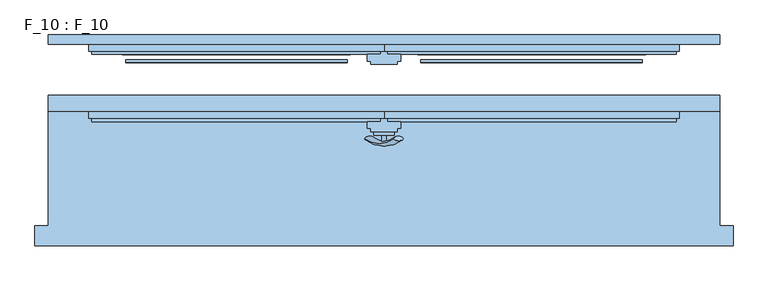
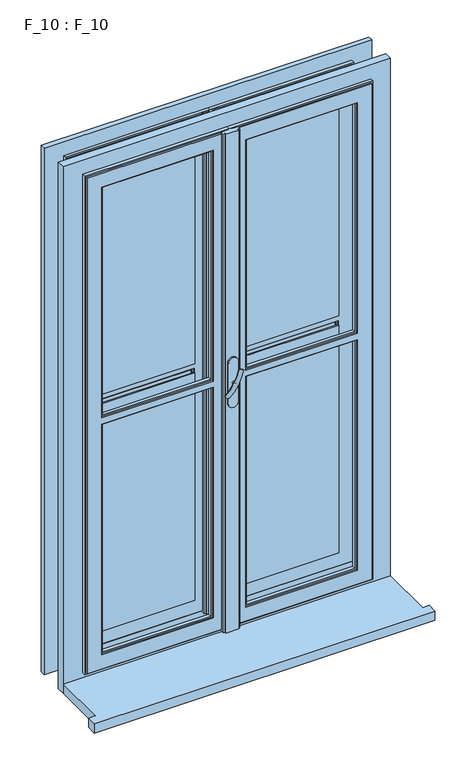
"""IFC4 building model written with IfcOpenShell, lengths in millimetres: window geometry, F_10 : F_10."""

import ifcopenshell
import ifcopenshell.guid

model = None  # the IFC model being written
_history = None  # IfcOwnerHistory: only IFC2X3 demands one
_inside = {}  # id of a spatial element -> (the spatial element, [elements in it])
_under = {}  # id of a project, library or spatial element -> (it, [spatial elements below it])
_declared = {}  # id of a project -> (the project, [libraries it declares])
_typed = {}  # id of a type object -> (the type object, [elements of that type])
_made_of = {}  # id of a material, layer set ... -> (it, [elements and type objects made of it])


def new_model(schema):
    """Start an empty IFC model of exactly this schema.

    Asked for "IFC4X3", IfcOpenShell would pick the latest addendum, in which some entities
    have other attributes; the version numbers below select the first issue.
    IFC2X3 requires an IfcOwnerHistory on every rooted entity: one is made here for all.
    """
    global model, _history
    if schema == "IFC4X3":
        model = ifcopenshell.file(schema_version=(4, 3, 0, 0))
    else:
        model = ifcopenshell.file(schema=schema)
    _inside.clear()
    _under.clear()
    _declared.clear()
    _typed.clear()
    _made_of.clear()
    _history = None
    if model.schema == "IFC2X3":
        org = make("IfcOrganization", Name="unknown")
        user = make(
            "IfcPersonAndOrganization",
            ThePerson=make("IfcPerson", FamilyName="unknown"),
            TheOrganization=org,
        )
        app = make(
            "IfcApplication",
            ApplicationDeveloper=org,
            Version="unknown",
            ApplicationFullName="unknown",
            ApplicationIdentifier="unknown",
        )
        _history = make(
            "IfcOwnerHistory",
            OwningUser=user,
            OwningApplication=app,
            ChangeAction="ADDED",
            CreationDate=0,
        )
    return model


def make(cls, **values):
    """One entity of the class cls with the attributes given. An attribute that is None is left unset."""
    return model.create_entity(
        cls, **{name: value for name, value in values.items() if value is not None}
    )


def rooted(cls, **values):
    """An entity with a GlobalId (a new one), such as an element, a storey or a relation."""
    return make(cls, GlobalId=ifcopenshell.guid.new(), OwnerHistory=_history, **values)


def si_unit(unit_type, name, prefix=None):
    """IfcSIUnit, for example si_unit("LENGTHUNIT", "METRE", prefix="MILLI")."""
    return make("IfcSIUnit", UnitType=unit_type, Prefix=prefix, Name=name)


def assignment(units):
    """IfcUnitAssignment: the units of a project."""
    return None if units is None else make("IfcUnitAssignment", Units=units)


def point(xyz):
    """IfcCartesianPoint."""
    return None if xyz is None else make("IfcCartesianPoint", Coordinates=xyz)


def direction(xyz):
    """IfcDirection."""
    return None if xyz is None else make("IfcDirection", DirectionRatios=xyz)


def frame(location, z_axis=None, x_axis=None):
    """IfcAxis2Placement3D, a coordinate frame: its origin and axes. An axis left out is left unset."""
    return make(
        "IfcAxis2Placement3D",
        Location=point(location),
        Axis=direction(z_axis),
        RefDirection=direction(x_axis),
    )


def frame_2d(location, x_axis=None):
    """IfcAxis2Placement2D, a coordinate frame in the plane: its origin and x axis."""
    return make(
        "IfcAxis2Placement2D", Location=point(location), RefDirection=direction(x_axis)
    )


def origin():
    """The frame at (0, 0, 0) with its axes left unset."""
    return frame((0.0, 0.0, 0.0))


def place(relative_to, where):
    """IfcLocalPlacement: puts the frame where relative to a parent placement (None: the world)."""
    return make(
        "IfcLocalPlacement", PlacementRelTo=relative_to, RelativePlacement=where
    )


def context(
    kind, dimensions, precision=None, world=None, true_north=None, identifier=None
):
    """IfcGeometricRepresentationContext, for example the 3D "Model" context."""
    return make(
        "IfcGeometricRepresentationContext",
        ContextIdentifier=identifier,
        ContextType=kind,
        CoordinateSpaceDimension=dimensions,
        Precision=precision,
        WorldCoordinateSystem=world,
        TrueNorth=true_north,
    )


def project(units=None, contexts=None):
    """IfcProject with its units and contexts."""
    return rooted(
        "IfcProject",
        Name="project",
        RepresentationContexts=contexts,
        UnitsInContext=assignment(units),
    )


def spatial(cls, under=None, at=None, **own):
    """A site, building, storey or space (cls), placed at a placement, below another one or the project."""
    s = rooted(cls, ObjectPlacement=at, **own)
    if under is not None:
        _under.setdefault(under.id(), (under, []))[1].append(s)
    return s


def polyline(points):
    """IfcPolyline through the points."""
    return make("IfcPolyline", Points=[point(p) for p in points])


def circle_curve(where, radius):
    """IfcCircle in the frame where."""
    return make("IfcCircle", Position=where, Radius=radius)


def ellipse_curve(where, semi_axis1, semi_axis2):
    """IfcEllipse in the frame where."""
    return make(
        "IfcEllipse", Position=where, SemiAxis1=semi_axis1, SemiAxis2=semi_axis2
    )


def trimmed(basis, trim1, trim2, sense, master):
    """IfcTrimmedCurve: the piece of a basis curve between two trims."""
    return make(
        "IfcTrimmedCurve",
        BasisCurve=basis,
        Trim1=trim1,
        Trim2=trim2,
        SenseAgreement=sense,
        MasterRepresentation=master,
    )


def segment(curve, same_sense, transition):
    """IfcCompositeCurveSegment."""
    return make(
        "IfcCompositeCurveSegment",
        Transition=transition,
        SameSense=same_sense,
        ParentCurve=curve,
    )


def composite_curve(segments, self_intersect=None):
    """IfcCompositeCurve: segments joined end to end."""
    return make("IfcCompositeCurve", Segments=segments, SelfIntersect=self_intersect)


def outline(outer, holes=None, kind="AREA"):
    """IfcArbitraryClosedProfileDef: a profile drawn as a closed curve; with holes, ...WithVoids."""
    if holes is None:
        return make("IfcArbitraryClosedProfileDef", ProfileType=kind, OuterCurve=outer)
    return make(
        "IfcArbitraryProfileDefWithVoids",
        ProfileType=kind,
        OuterCurve=outer,
        InnerCurves=holes,
    )


def extrude(swept, where, along, depth):
    """IfcExtrudedAreaSolid: the profile swept, set in the frame where, extruded along a direction by depth."""
    return make(
        "IfcExtrudedAreaSolid",
        SweptArea=swept,
        Position=where,
        ExtrudedDirection=direction(along),
        Depth=depth,
    )


def faces_of(points, faces, orient=None, outer=None):
    """IfcFace entities. A face is a list of loops; a loop is a list of indices into points, from 0.

    orient and outer hold one flag for each loop. By default every Orientation is true, the
    first loop of a face is its IfcFaceOuterBound and the others are IfcFaceBound.
    """
    made = []
    for i, loops in enumerate(faces):
        bounds = []
        for j, loop in enumerate(loops):
            is_outer = j == 0 if outer is None else outer[i][j]
            bounds.append(
                make(
                    "IfcFaceOuterBound" if is_outer else "IfcFaceBound",
                    Bound=make("IfcPolyLoop", Polygon=[points[k] for k in loop]),
                    Orientation=True if orient is None else orient[i][j],
                )
            )
        made.append(make("IfcFace", Bounds=bounds))
    return made


def faceted_brep(points, faces, orient=None, outer=None, voids=None):
    """IfcFacetedBrep: a solid bounded by flat faces; with voids (closed shells), ...WithVoids."""
    shared = [point(p) for p in points]
    hull = make("IfcClosedShell", CfsFaces=faces_of(shared, faces, orient, outer))
    if voids is None:
        return make("IfcFacetedBrep", Outer=hull)
    return make(
        "IfcFacetedBrepWithVoids",
        Outer=hull,
        Voids=[
            make(cls, CfsFaces=faces_of(shared, fs, o, b)) for cls, fs, o, b in voids
        ],
    )


def shape(context_of_items, identifier, shape_type, items):
    """IfcShapeRepresentation: the items that make up one representation, for example the "Body"."""
    return make(
        "IfcShapeRepresentation",
        ContextOfItems=context_of_items,
        RepresentationIdentifier=identifier,
        RepresentationType=shape_type,
        Items=items,
    )


def source(mapping_origin, context_of_items, identifier, shape_type, items):
    """IfcRepresentationMap: a shape defined once, which mapped items show again and again."""
    return make(
        "IfcRepresentationMap",
        MappingOrigin=mapping_origin,
        MappedRepresentation=shape(context_of_items, identifier, shape_type, items),
    )


def transform(
    local_origin,
    x_axis=None,
    y_axis=None,
    z_axis=None,
    scale=None,
    scale2=None,
    scale3=None,
    uniform=True,
):
    """IfcCartesianTransformationOperator3D, or its non-uniform kind. x_axis, y_axis, z_axis: its Axis1, 2, 3."""
    if uniform:
        return make(
            "IfcCartesianTransformationOperator3D",
            Axis1=direction(x_axis),
            Axis2=direction(y_axis),
            LocalOrigin=point(local_origin),
            Scale=scale,
            Axis3=direction(z_axis),
        )
    return make(
        "IfcCartesianTransformationOperator3DnonUniform",
        Axis1=direction(x_axis),
        Axis2=direction(y_axis),
        LocalOrigin=point(local_origin),
        Scale=scale,
        Axis3=direction(z_axis),
        Scale2=scale2,
        Scale3=scale3,
    )


def mapped(mapping_source, mapping_target):
    """IfcMappedItem: shows the shape of a source again, moved by a transform."""
    return make(
        "IfcMappedItem", MappingSource=mapping_source, MappingTarget=mapping_target
    )


def made_of(thing, what):
    """Note that an element or type object is made of a material, layer set ...; save() writes the relation."""
    if what is not None:
        _made_of.setdefault(what.id(), (what, []))[1].append(thing)
    return thing


def element(
    cls,
    number,
    at=None,
    inside=None,
    cuts=None,
    type_object=None,
    material=None,
    context=None,
    identifier="Body",
    shape_type=None,
    held_by="IfcProductDefinitionShape",
    body=None,
    shapes=None,
    **own,
):
    """One element of the class cls, such as IfcWall. Its Tag is "e" and its number.

    at: its placement. inside: the storey or other place that contains it. cuts: it is an
    opening in that element (IfcRelVoidsElement). A single representation is given by context,
    identifier, shape_type and body (its items); several are given by shapes. held_by: the class
    of the entity that holds the representations. save() writes the other relations.
    """
    e = rooted(cls, Tag="e%d" % number, ObjectPlacement=at, **own)
    if body is not None:
        shapes = [shape(context, identifier, shape_type, body)]
    if shapes is not None:
        e.Representation = make(held_by, Representations=shapes)
    if inside is not None:
        _inside.setdefault(inside.id(), (inside, []))[1].append(e)
    if cuts is not None:
        rooted(
            "IfcRelVoidsElement", RelatingBuildingElement=cuts, RelatedOpeningElement=e
        )
    if type_object is not None:
        _typed.setdefault(type_object.id(), (type_object, []))[1].append(e)
    return made_of(e, material)


def aggregate(whole, parts):
    """IfcRelAggregates: a whole, such as a stair, and the parts it consists of."""
    return rooted("IfcRelAggregates", RelatingObject=whole, RelatedObjects=parts)


def save(model, path):
    """Write the relations noted so far, then the file.

    IfcRelAggregates (storeys below a building ...), IfcRelContainedInSpatialStructure (elements
    in a storey), IfcRelDefinesByType, IfcRelAssociatesMaterial and IfcRelDeclares: one each for
    every whole, place, type object, material and project.
    """
    for whole, parts in _under.values():
        aggregate(whole, parts)
    for where, things in _inside.values():
        rooted(
            "IfcRelContainedInSpatialStructure",
            RelatedElements=things,
            RelatingStructure=where,
        )
    for kind, things in _typed.values():
        rooted("IfcRelDefinesByType", RelatedObjects=things, RelatingType=kind)
    for what, things in _made_of.values():
        rooted("IfcRelAssociatesMaterial", RelatedObjects=things, RelatingMaterial=what)
    for by, libraries in _declared.values():
        rooted("IfcRelDeclares", RelatingContext=by, RelatedDefinitions=libraries)
    model.write(path)


def plane_surface(at):
    """IfcPlane: the flat surface through the origin of the frame at, square to its z axis."""
    return make("IfcPlane", Position=at)


def revolved_surface(curve, axis_point, axis_direction):
    """IfcSurfaceOfRevolution: the curve turned about the line through axis_point along axis_direction."""
    return make(
        "IfcSurfaceOfRevolution",
        SweptCurve=make("IfcArbitraryOpenProfileDef", ProfileType="CURVE", Curve=curve),
        AxisPosition=make("IfcAxis1Placement", Location=point(axis_point), Axis=direction(axis_direction)),
    )


def advanced_brep(points, edges, surfaces, faces):
    """IfcAdvancedBrep: a solid bounded by faces that lie on surfaces and meet in shared edges.

    An edge is (start, end): straight between two places in points (the first is 0);
    or (start, end, curve); or (start, end, curve, False) where it runs against its curve.
    A face is (place in surfaces, loops), or (place, loops, False) where it looks against
    its surface's normal. A loop lists edges by number (the first is 1), with a minus sign
    where the edge is run from its end to its start. The first loop is the outer one.
    """
    corners = [point(p) for p in points]
    vertices = [make("IfcVertexPoint", VertexGeometry=c) for c in corners]
    made = []
    for start, end, *more in edges:
        made.append(
            make(
                "IfcEdgeCurve",
                EdgeStart=vertices[start],
                EdgeEnd=vertices[end],
                EdgeGeometry=more[0] if more else make("IfcPolyline", Points=[corners[start], corners[end]]),
                SameSense=more[1] if len(more) > 1 else True,
            )
        )
    hull = []
    for where, loops, *sense in faces:
        bounds = []
        for j, loop in enumerate(loops):
            ring = [make("IfcOrientedEdge", EdgeElement=made[abs(k) - 1], Orientation=k > 0) for k in loop]
            bounds.append(
                make(
                    "IfcFaceOuterBound" if j == 0 else "IfcFaceBound",
                    Bound=make("IfcEdgeLoop", EdgeList=ring),
                    Orientation=True,
                )
            )
        hull.append(make("IfcAdvancedFace", Bounds=bounds, FaceSurface=surfaces[where], SameSense=sense[0] if sense else True))
    return make("IfcAdvancedBrep", Outer=make("IfcClosedShell", CfsFaces=hull))


def f_10_f_10_4c1c05a7(model_context):
    return source(origin(), model_context, "Body", "SolidModel", [
        advanced_brep(
        [(-28.5497704, -90.2287724, 1557.2483361), (-14.693364, -90.2287724, 1549.2483361), (14.693364, -90.2287724, 1632.147642), (28.5497704, -90.2287724, 1624.147642)],
        [
            (0, 1, ellipse_curve(frame((-21.6215672, -90.2287724, 1553.2483361), z_axis=(-0.46984631039295827, 0.3420201433256777, -0.8137976813493676), x_axis=(0.8660254037844349, 0.0, -0.5000000000000066)), 8.0, 3.5)),
            (1, 0, ellipse_curve(frame((-21.6215672, -90.2287724, 1553.2483361), z_axis=(-0.46984631039295827, 0.3420201433256777, -0.8137976813493676), x_axis=(0.8660254037844349, 0.0, -0.5000000000000066)), 8.0, 3.5)),
            (2, 3, ellipse_curve(frame((21.6215672, -90.2287724, 1628.147642), z_axis=(0.46984631039296154, 0.3420201433256599, 0.8137976813493732), x_axis=(0.8660254037844355, 0.0, -0.5000000000000056)), 8.0, 3.5)),
            (3, 2, ellipse_curve(frame((21.6215672, -90.2287724, 1628.147642), z_axis=(0.46984631039296154, 0.3420201433256599, 0.8137976813493732), x_axis=(0.8660254037844355, 0.0, -0.5000000000000056)), 8.0, 3.5)),
            (3, 1, circle_curve(frame((6.9282032, 28.580763, 1586.6979891), z_axis=(0.8660254037844353, 0.0, -0.500000000000006), x_axis=(-0.1710100716628409, -0.9396926207859051, -0.29619813272603046)), 126.4344667)),
            (0, 2, circle_curve(frame((-6.9282032, 28.580763, 1594.6979891), z_axis=(-0.8660254037844353, 0.0, 0.500000000000006), x_axis=(-0.1710100716628409, -0.9396926207859051, -0.29619813272603046)), 126.4344667)),
        ],
        [
            plane_surface(frame((40.0926994, -87.5471681, 1518.7446033), z_axis=(-0.4698463103929582, 0.34202014332567776, -0.8137976813493677), x_axis=(-0.8660254037844352, 0.0, 0.500000000000006))),
            plane_surface(frame((82.3598097, -87.5471681, 1591.9533858), z_axis=(0.4698463103929615, 0.34202014332565983, 0.8137976813493734), x_axis=(-0.8660254037844352, 0.0, 0.500000000000006))),
            revolved_surface(trimmed(ellipse_curve(frame((-21.6215672, -90.2287724, 1553.2483361), z_axis=(-0.46984631039295827, 0.3420201433256777, -0.8137976813493676), x_axis=(0.8660254037844349, 0.0, -0.5000000000000066)), 8.0, 3.5), [point((-28.5497704, -90.2287724, 1557.2483361))], [point((-14.693364, -90.2287724, 1549.2483361))], True, "CARTESIAN"), (61.2262546, 28.580763, 1555.3489945), (-0.8660254037844353, 0.0, 0.500000000000006)),
            revolved_surface(trimmed(ellipse_curve(frame((-21.6215672, -90.2287724, 1553.2483361), z_axis=(-0.46984631039295827, 0.3420201433256777, -0.8137976813493676), x_axis=(0.8660254037844349, 0.0, -0.5000000000000066)), 8.0, 3.5), [point((-14.693364, -90.2287724, 1549.2483361))], [point((-28.5497704, -90.2287724, 1557.2483361))], True, "CARTESIAN"), (61.2262546, 28.580763, 1555.3489945), (-0.8660254037844353, 0.0, 0.500000000000006)),
        ],
        [
            (0, [[1, 2]]),
            (1, [[3, 4]]),
            (2, [[5, -1, 6, -4]]),
            (3, [[-6, -2, -5, -3]]),
        ],
    ),
        extrude(outline(composite_curve([segment(trimmed(circle_curve(frame_2d((1590.6979891, 0.0)), 3.5), [point((1590.6979891, -3.5))], [point((1590.6979891, 3.5))], False, "CARTESIAN"), True, "CONTINUOUS"), segment(trimmed(circle_curve(frame_2d((1590.6979891, 0.0)), 3.5), [point((1590.6979891, 3.5))], [point((1590.6979891, -3.5))], False, "CARTESIAN"), True, "CONTINUOUS")], self_intersect=False)), frame((0.0, -95.0, 0.0), z_axis=(0.0, 1.0, 0.0), x_axis=(0.0, 0.0, 1.0)), (0.0, 0.0, 1.0), 10.0),
        extrude(outline(composite_curve([segment(polyline([(1655.0, -15.0), (1525.0, -15.0)]), True, "CONTINUOUS"), segment(trimmed(circle_curve(frame_2d((1525.0, 0.0)), 15.0), [point((1525.0, -15.0))], [point((1525.0, 15.0))], False, "CARTESIAN"), True, "CONTINUOUS"), segment(polyline([(1525.0, 15.0), (1655.0, 15.0)]), True, "CONTINUOUS"), segment(trimmed(circle_curve(frame_2d((1655.0, 0.0)), 15.0), [point((1655.0, 15.0))], [point((1655.0, -15.0))], False, "CARTESIAN"), True, "CONTINUOUS")], self_intersect=False)), frame((0.0, -85.0, 0.0), z_axis=(0.0, 1.0, 0.0), x_axis=(0.0, 0.0, 1.0)), (0.0, 0.0, 1.0), 5.0),
        faceted_brep([(-50.0, 35.0, 1580.0), (-390.0, 35.0, 1580.0), (-390.0, 40.0, 1580.0), (-50.0, 40.0, 1580.0), (-5.0, 35.0, 790.0), (-5.0, 35.0, 2390.0), (-435.0, 35.0, 2390.0), (-435.0, 35.0, 790.0), (-50.0, 35.0, 835.0), (-390.0, 35.0, 835.0), (-50.0, 35.0, 1600.0), (-390.0, 35.0, 1600.0), (-390.0, 35.0, 2345.0), (-50.0, 35.0, 2345.0), (-390.0, 40.0, 835.0), (-390.0, 40.0, 1600.0), (-390.0, 40.0, 2345.0), (-50.0, 40.0, 835.0), (-385.0, 40.0, 1575.0), (-55.0, 40.0, 1575.0), (-55.0, 40.0, 840.0), (-385.0, 40.0, 840.0), (-50.0, 40.0, 2345.0), (-50.0, 40.0, 1600.0), (-385.0, 40.0, 2340.0), (-55.0, 40.0, 2340.0), (-55.0, 40.0, 1605.0), (-385.0, 40.0, 1605.0), (-55.0, 50.0, 840.0), (-55.0, 50.0, 1575.0), (-55.0, 50.0, 2340.0), (-55.0, 50.0, 1605.0), (-385.0, 50.0, 1605.0), (-385.0, 50.0, 840.0), (-385.0, 50.0, 1575.0), (-385.0, 50.0, 2340.0), (-50.0, 50.0, 835.0), (-390.0, 50.0, 835.0), (-390.0, 50.0, 1580.0), (-50.0, 50.0, 1580.0), (-390.0, 50.0, 2345.0), (-50.0, 50.0, 2345.0), (-50.0, 50.0, 1600.0), (-390.0, 50.0, 1600.0), (-50.0, 55.0, 835.0), (-390.0, 55.0, 835.0), (-390.0, 55.0, 1580.0), (-390.0, 55.0, 2345.0), (-390.0, 55.0, 1600.0), (-50.0, 55.0, 1580.0), (-50.0, 55.0, 2345.0), (-50.0, 55.0, 1600.0), (-10.0, 55.0, 2385.0), (-10.0, 55.0, 795.0), (-430.0, 55.0, 795.0), (-430.0, 55.0, 2385.0), (-10.0, 50.0, 2385.0), (-10.0, 50.0, 795.0), (-430.0, 50.0, 795.0), (-430.0, 50.0, 2385.0), (-5.0, 40.0, 2390.0), (-5.0, 40.0, 790.0), (-435.0, 40.0, 790.0), (-435.0, 40.0, 2390.0), (0.0, 40.0, 785.0), (0.0, 40.0, 2395.0), (-440.0, 40.0, 2395.0), (-440.0, 40.0, 785.0), (0.0, 50.0, 2395.0), (0.0, 50.0, 785.0), (-440.0, 50.0, 785.0), (-440.0, 50.0, 2395.0)], [[[0, 1, 2, 3]], [[4, 5, 6, 7], [1, 0, 8, 9], [10, 11, 12, 13]], [[9, 14, 2, 1]], [[15, 16, 12, 11]], [[14, 17, 3, 2], [18, 19, 20, 21]], [[22, 16, 15, 23], [24, 25, 26, 27]], [[3, 17, 8, 0]], [[13, 22, 23, 10]], [[8, 17, 14, 9]], [[28, 20, 19, 29]], [[25, 30, 31, 26]], [[31, 32, 27, 26]], [[21, 33, 34, 18]], [[35, 24, 27, 32]], [[11, 10, 23, 15]], [[19, 18, 34, 29]], [[20, 28, 33, 21]], [[36, 37, 38, 39], [29, 34, 33, 28]], [[40, 41, 42, 43], [35, 32, 31, 30]], [[36, 44, 45, 37]], [[38, 37, 45, 46]], [[47, 40, 43, 48]], [[46, 49, 39, 38]], [[42, 41, 50, 51]], [[44, 36, 39, 49]], [[51, 48, 43, 42]], [[52, 53, 54, 55], [49, 46, 45, 44], [48, 51, 50, 47]], [[52, 56, 57, 53]], [[53, 57, 58, 54]], [[54, 58, 59, 55]], [[60, 5, 4, 61]], [[62, 7, 6, 63]], [[61, 4, 7, 62]], [[64, 65, 66, 67], [60, 61, 62, 63]], [[68, 65, 64, 69]], [[69, 64, 67, 70]], [[68, 69, 70, 71], [57, 56, 59, 58]], [[70, 67, 66, 71]], [[30, 25, 24, 35]], [[22, 13, 12, 16]], [[50, 41, 40, 47]], [[56, 52, 55, 59]], [[5, 60, 63, 6]], [[65, 68, 71, 66]]]),
        faceted_brep([(-50.0, -45.0, 835.0), (-50.0, -50.0, 835.0), (-50.0, -50.0, 1580.0), (-50.0, -45.0, 1580.0), (-50.0, -50.0, 1600.0), (-50.0, -50.0, 2345.0), (-50.0, -45.0, 2345.0), (-50.0, -45.0, 1600.0), (-390.0, -45.0, 835.0), (-390.0, -50.0, 835.0), (-390.0, -50.0, 1580.0), (-55.0, -50.0, 840.0), (-55.0, -50.0, 1575.0), (-385.0, -50.0, 1575.0), (-385.0, -50.0, 840.0), (-390.0, -50.0, 2345.0), (-390.0, -50.0, 1600.0), (-385.0, -50.0, 2340.0), (-385.0, -50.0, 1605.0), (-55.0, -50.0, 1605.0), (-55.0, -50.0, 2340.0), (-390.0, -45.0, 1580.0), (-10.0, -45.0, 2385.0), (-10.0, -45.0, 795.0), (-430.0, -45.0, 795.0), (-430.0, -45.0, 2385.0), (-390.0, -45.0, 2345.0), (-390.0, -45.0, 1600.0), (-55.0, -60.0, 840.0), (-55.0, -60.0, 1575.0), (-55.0, -60.0, 2340.0), (-55.0, -60.0, 1605.0), (-385.0, -60.0, 1605.0), (-390.0, -60.0, 835.0), (-50.0, -60.0, 835.0), (-50.0, -60.0, 1580.0), (-390.0, -60.0, 1580.0), (-385.0, -60.0, 840.0), (-385.0, -60.0, 1575.0), (-50.0, -60.0, 2345.0), (-390.0, -60.0, 2345.0), (-390.0, -60.0, 1600.0), (-50.0, -60.0, 1600.0), (-385.0, -60.0, 2340.0), (-50.0, -65.0, 835.0), (-50.0, -65.0, 1580.0), (-50.0, -65.0, 2345.0), (-50.0, -65.0, 1600.0), (-390.0, -65.0, 1600.0), (-5.0, -65.0, 790.0), (-5.0, -65.0, 2390.0), (-435.0, -65.0, 2390.0), (-435.0, -65.0, 790.0), (-390.0, -65.0, 2345.0), (-390.0, -65.0, 835.0), (-390.0, -65.0, 1580.0), (-5.0, -60.0, 2390.0), (-5.0, -60.0, 790.0), (-435.0, -60.0, 790.0), (0.0, -60.0, 785.0), (0.0, -60.0, 2395.0), (-440.0, -60.0, 2395.0), (-440.0, -60.0, 785.0), (-435.0, -60.0, 2390.0), (0.0, -50.0, 2395.0), (0.0, -50.0, 785.0), (-440.0, -50.0, 785.0), (-440.0, -50.0, 2395.0), (-10.0, -50.0, 795.0), (-10.0, -50.0, 2385.0), (-430.0, -50.0, 2385.0), (-430.0, -50.0, 795.0)], [[[0, 1, 2, 3]], [[4, 5, 6, 7]], [[1, 0, 8, 9]], [[1, 9, 10, 2], [11, 12, 13, 14]], [[15, 5, 4, 16], [17, 18, 19, 20]], [[21, 3, 2, 10]], [[22, 23, 24, 25], [8, 0, 3, 21], [26, 27, 7, 6]], [[7, 27, 16, 4]], [[11, 28, 29, 12]], [[30, 20, 19, 31]], [[19, 18, 32, 31]], [[33, 34, 35, 36], [28, 37, 38, 29]], [[39, 40, 41, 42], [43, 30, 31, 32]], [[28, 11, 14, 37]], [[13, 12, 29, 38]], [[35, 34, 44, 45]], [[46, 39, 42, 47]], [[48, 47, 42, 41]], [[49, 50, 51, 52], [46, 47, 48, 53], [44, 54, 55, 45]], [[44, 34, 33, 54]], [[45, 55, 36, 35]], [[56, 50, 49, 57]], [[57, 49, 52, 58]], [[59, 60, 61, 62], [56, 57, 58, 63]], [[64, 60, 59, 65]], [[65, 59, 62, 66]], [[64, 65, 66, 67], [68, 69, 70, 71]], [[22, 69, 68, 23]], [[23, 68, 71, 24]], [[10, 9, 8, 21]], [[26, 15, 16, 27]], [[37, 14, 13, 38]], [[17, 43, 32, 18]], [[41, 40, 53, 48]], [[54, 33, 36, 55]], [[58, 52, 51, 63]], [[66, 62, 61, 67]], [[24, 71, 70, 25]], [[6, 5, 15, 26]], [[20, 30, 43, 17]], [[39, 46, 53, 40]], [[50, 56, 63, 51]], [[60, 64, 67, 61]], [[69, 22, 25, 70]]]),
        faceted_brep([(-500.0, -50.0, 2440.0), (-500.0, -26.0, 2440.0), (-500.0, -26.0, 740.0), (-500.0, -50.0, 740.0), (500.0, -26.0, 2440.0), (500.0, -26.0, 740.0), (-420.0, -26.0, 805.0), (430.0, -26.0, 805.0), (430.0, -26.0, 2375.0), (-420.0, -26.0, 2375.0), (500.0, -50.0, 740.0), (500.0, -50.0, 2440.0), (-430.0, -50.0, 2385.0), (440.0, -50.0, 2385.0), (440.0, -50.0, 795.0), (-430.0, -50.0, 795.0), (-420.0, -45.0, 805.0), (430.0, -45.0, 805.0), (430.0, -45.0, 2375.0), (-420.0, -45.0, 2375.0), (-430.0, -45.0, 2385.0), (-430.0, -45.0, 795.0), (440.0, -45.0, 795.0), (440.0, -45.0, 2385.0)], [[[0, 1, 2, 3]], [[2, 1, 4, 5], [6, 7, 8, 9]], [[10, 3, 2, 5]], [[0, 3, 10, 11], [12, 13, 14, 15]], [[6, 16, 17, 7]], [[8, 7, 17, 18]], [[9, 19, 16, 6]], [[5, 4, 11, 10]], [[20, 21, 22, 23], [16, 19, 18, 17]], [[20, 12, 15, 21]], [[22, 21, 15, 14]], [[23, 22, 14, 13]], [[4, 1, 0, 11]], [[19, 9, 8, 18]], [[13, 12, 20, 23]]]),
        faceted_brep([(50.0, 50.0, 1580.0), (50.0, 50.0, 835.0), (50.0, 55.0, 835.0), (50.0, 55.0, 1580.0), (50.0, 55.0, 2345.0), (50.0, 50.0, 2345.0), (50.0, 50.0, 1600.0), (50.0, 55.0, 1600.0), (390.0, 50.0, 835.0), (390.0, 50.0, 1580.0), (385.0, 50.0, 840.0), (385.0, 50.0, 1575.0), (55.0, 50.0, 1575.0), (55.0, 50.0, 840.0), (390.0, 50.0, 2345.0), (390.0, 50.0, 1600.0), (55.0, 50.0, 2340.0), (55.0, 50.0, 1605.0), (385.0, 50.0, 1605.0), (385.0, 50.0, 2340.0), (390.0, 55.0, 1600.0), (10.0, 55.0, 795.0), (10.0, 55.0, 2385.0), (430.0, 55.0, 2385.0), (430.0, 55.0, 795.0), (390.0, 55.0, 2345.0), (390.0, 55.0, 835.0), (390.0, 55.0, 1580.0), (55.0, 40.0, 840.0), (55.0, 40.0, 1575.0), (55.0, 40.0, 2340.0), (55.0, 40.0, 1605.0), (50.0, 40.0, 835.0), (390.0, 40.0, 835.0), (390.0, 40.0, 1580.0), (50.0, 40.0, 1580.0), (385.0, 40.0, 840.0), (385.0, 40.0, 1575.0), (390.0, 40.0, 2345.0), (50.0, 40.0, 2345.0), (50.0, 40.0, 1600.0), (390.0, 40.0, 1600.0), (385.0, 40.0, 2340.0), (385.0, 40.0, 1605.0), (50.0, 35.0, 2345.0), (50.0, 35.0, 1600.0), (50.0, 35.0, 835.0), (50.0, 35.0, 1580.0), (390.0, 35.0, 835.0), (390.0, 35.0, 1580.0), (5.0, 35.0, 2390.0), (5.0, 35.0, 790.0), (435.0, 35.0, 790.0), (435.0, 35.0, 2390.0), (390.0, 35.0, 2345.0), (390.0, 35.0, 1600.0), (5.0, 40.0, 2390.0), (5.0, 40.0, 790.0), (0.0, 40.0, 2395.0), (0.0, 40.0, 785.0), (440.0, 40.0, 785.0), (440.0, 40.0, 2395.0), (435.0, 40.0, 2390.0), (435.0, 40.0, 790.0), (0.0, 50.0, 2395.0), (0.0, 50.0, 785.0), (440.0, 50.0, 2395.0), (440.0, 50.0, 785.0), (10.0, 50.0, 2385.0), (10.0, 50.0, 795.0), (430.0, 50.0, 795.0), (430.0, 50.0, 2385.0)], [[[0, 1, 2, 3]], [[4, 5, 6, 7]], [[8, 1, 0, 9], [10, 11, 12, 13]], [[5, 14, 15, 6], [16, 17, 18, 19]], [[20, 7, 6, 15]], [[21, 22, 23, 24], [4, 7, 20, 25], [2, 26, 27, 3]], [[2, 1, 8, 26]], [[3, 27, 9, 0]], [[28, 13, 12, 29]], [[16, 30, 31, 17]], [[32, 33, 34, 35], [36, 28, 29, 37]], [[38, 39, 40, 41], [30, 42, 43, 31]], [[31, 43, 18, 17]], [[13, 28, 36, 10]], [[37, 29, 12, 11]], [[40, 39, 44, 45]], [[46, 32, 35, 47]], [[32, 46, 48, 33]], [[49, 47, 35, 34]], [[50, 51, 52, 53], [48, 46, 47, 49], [54, 55, 45, 44]], [[45, 55, 41, 40]], [[50, 56, 57, 51]], [[58, 59, 60, 61], [57, 56, 62, 63]], [[51, 57, 63, 52]], [[58, 64, 65, 59]], [[65, 64, 66, 67], [68, 69, 70, 71]], [[59, 65, 67, 60]], [[68, 22, 21, 69]], [[69, 21, 24, 70]], [[15, 14, 25, 20]], [[26, 8, 9, 27]], [[10, 36, 37, 11]], [[42, 19, 18, 43]], [[34, 33, 48, 49]], [[54, 38, 41, 55]], [[52, 63, 62, 53]], [[60, 67, 66, 61]], [[70, 24, 23, 71]], [[5, 4, 25, 14]], [[30, 16, 19, 42]], [[44, 39, 38, 54]], [[56, 50, 53, 62]], [[64, 58, 61, 66]], [[22, 68, 71, 23]]]),
        faceted_brep([(50.0, -45.0, 835.0), (50.0, -50.0, 835.0), (390.0, -50.0, 835.0), (390.0, -45.0, 835.0), (50.0, -50.0, 1580.0), (390.0, -50.0, 1580.0), (385.0, -50.0, 1575.0), (55.0, -50.0, 1575.0), (55.0, -50.0, 840.0), (385.0, -50.0, 840.0), (50.0, -50.0, 2345.0), (390.0, -50.0, 2345.0), (390.0, -50.0, 1600.0), (50.0, -50.0, 1600.0), (55.0, -50.0, 2340.0), (55.0, -50.0, 1605.0), (385.0, -50.0, 1605.0), (385.0, -50.0, 2340.0), (50.0, -45.0, 1580.0), (50.0, -45.0, 2345.0), (50.0, -45.0, 1600.0), (390.0, -45.0, 1580.0), (390.0, -45.0, 2345.0), (390.0, -45.0, 1600.0), (55.0, -60.0, 840.0), (55.0, -60.0, 1575.0), (55.0, -60.0, 2340.0), (55.0, -60.0, 1605.0), (385.0, -60.0, 1605.0), (385.0, -60.0, 840.0), (385.0, -60.0, 1575.0), (385.0, -60.0, 2340.0), (10.0, -45.0, 795.0), (10.0, -45.0, 2385.0), (430.0, -45.0, 2385.0), (430.0, -45.0, 795.0), (10.0, -50.0, 2385.0), (10.0, -50.0, 795.0), (430.0, -50.0, 795.0), (430.0, -50.0, 2385.0), (50.0, -60.0, 835.0), (390.0, -60.0, 835.0), (390.0, -60.0, 1580.0), (50.0, -60.0, 1580.0), (390.0, -60.0, 2345.0), (50.0, -60.0, 2345.0), (50.0, -60.0, 1600.0), (390.0, -60.0, 1600.0), (50.0, -65.0, 835.0), (390.0, -65.0, 835.0), (390.0, -65.0, 1580.0), (390.0, -65.0, 2345.0), (390.0, -65.0, 1600.0), (50.0, -65.0, 1580.0), (50.0, -65.0, 2345.0), (50.0, -65.0, 1600.0), (5.0, -65.0, 2390.0), (5.0, -65.0, 790.0), (435.0, -65.0, 790.0), (435.0, -65.0, 2390.0), (5.0, -60.0, 2390.0), (5.0, -60.0, 790.0), (435.0, -60.0, 790.0), (435.0, -60.0, 2390.0), (0.0, -60.0, 2395.0), (0.0, -60.0, 785.0), (440.0, -60.0, 785.0), (440.0, -60.0, 2395.0), (0.0, -50.0, 2395.0), (0.0, -50.0, 785.0), (440.0, -50.0, 2395.0), (440.0, -50.0, 785.0)], [[[0, 1, 2, 3]], [[2, 1, 4, 5], [6, 7, 8, 9]], [[10, 11, 12, 13], [14, 15, 16, 17]], [[4, 1, 0, 18]], [[19, 10, 13, 20]], [[18, 21, 5, 4]], [[3, 2, 5, 21]], [[12, 11, 22, 23]], [[23, 20, 13, 12]], [[24, 8, 7, 25]], [[14, 26, 27, 15]], [[16, 15, 27, 28]], [[9, 29, 30, 6]], [[31, 17, 16, 28]], [[7, 6, 30, 25]], [[8, 24, 29, 9]], [[32, 33, 34, 35], [21, 18, 0, 3], [20, 23, 22, 19]], [[36, 33, 32, 37]], [[38, 35, 34, 39]], [[37, 32, 35, 38]], [[40, 41, 42, 43], [29, 24, 25, 30]], [[44, 45, 46, 47], [28, 27, 26, 31]], [[40, 48, 49, 41]], [[42, 41, 49, 50]], [[51, 44, 47, 52]], [[50, 53, 43, 42]], [[46, 45, 54, 55]], [[48, 40, 43, 53]], [[55, 52, 47, 46]], [[56, 57, 58, 59], [53, 50, 49, 48], [52, 55, 54, 51]], [[56, 60, 61, 57]], [[57, 61, 62, 58]], [[58, 62, 63, 59]], [[64, 65, 66, 67], [61, 60, 63, 62]], [[64, 68, 69, 65]], [[69, 68, 70, 71], [36, 37, 38, 39]], [[65, 69, 71, 66]], [[66, 71, 70, 67]], [[10, 19, 22, 11]], [[26, 14, 17, 31]], [[33, 36, 39, 34]], [[54, 45, 44, 51]], [[60, 56, 59, 63]], [[68, 64, 67, 70]]]),
        faceted_brep([(500.0, 64.0, 740.0), (-500.0, 64.0, 740.0), (-500.0, 64.0, 2440.0), (500.0, 64.0, 2440.0), (420.0, 64.0, 2375.0), (-420.0, 64.0, 2375.0), (-420.0, 64.0, 805.0), (420.0, 64.0, 805.0), (-420.0, 55.0, 2375.0), (-420.0, 55.0, 805.0), (420.0, 55.0, 805.0), (420.0, 55.0, 2375.0), (-500.0, 50.0, 740.0), (500.0, 50.0, 740.0), (-500.0, 50.0, 2440.0), (500.0, 50.0, 2440.0), (-430.0, 50.0, 2385.0), (430.0, 50.0, 2385.0), (430.0, 50.0, 795.0), (-430.0, 50.0, 795.0), (430.0, 55.0, 2385.0), (430.0, 55.0, 795.0), (-430.0, 55.0, 795.0), (-430.0, 55.0, 2385.0)], [[[0, 1, 2, 3], [4, 5, 6, 7]], [[5, 8, 9, 6]], [[9, 10, 7, 6]], [[11, 4, 7, 10]], [[12, 1, 0, 13]], [[14, 2, 1, 12]], [[0, 3, 15, 13]], [[14, 12, 13, 15], [16, 17, 18, 19]], [[17, 20, 21, 18]], [[19, 18, 21, 22]], [[22, 23, 16, 19]], [[20, 23, 22, 21], [8, 11, 10, 9]], [[2, 14, 15, 3]], [[8, 5, 4, 11]], [[16, 23, 20, 17]]]),
        extrude(outline(polyline([(0.5, 55.0), (10.0, 55.0), (10.0, 50.0), (0.5, 50.0), (0.5, 55.0)])), frame((0.0, 0.0, 785.0), z_axis=(0.0, 0.0, 1.0), x_axis=(1.0, 0.0, 0.0)), (0.0, 0.0, 1.0), 1610.0),
        extrude(outline(polyline([(-0.5, 55.0), (-0.5, 50.0), (-10.0, 50.0), (-10.0, 55.0), (-0.5, 55.0)])), frame((0.0, 0.0, 785.0), z_axis=(0.0, 0.0, 1.0), x_axis=(1.0, 0.0, 0.0)), (0.0, 0.0, 1.0), 1610.0),
        extrude(outline(polyline([(-55.0, 43.0), (-385.0, 43.0), (-385.0, 47.0), (-55.0, 47.0), (-55.0, 43.0)])), frame((0.0, 0.0, 840.0), z_axis=(0.0, 0.0, 1.0), x_axis=(1.0, 0.0, 0.0)), (0.0, 0.0, 1.0), 735.0),
        extrude(outline(polyline([(385.0, 43.0), (55.0, 43.0), (55.0, 47.0), (385.0, 47.0), (385.0, 43.0)])), frame((0.0, 0.0, 840.0), z_axis=(0.0, 0.0, 1.0), x_axis=(1.0, 0.0, 0.0)), (0.0, 0.0, 1.0), 735.0),
        extrude(outline(polyline([(-55.0, 43.0), (-385.0, 43.0), (-385.0, 47.0), (-55.0, 47.0), (-55.0, 43.0)])), frame((0.0, 0.0, 1605.0), z_axis=(0.0, 0.0, 1.0), x_axis=(1.0, 0.0, 0.0)), (0.0, 0.0, 1.0), 735.0),
        extrude(outline(polyline([(385.0, 43.0), (55.0, 43.0), (55.0, 47.0), (385.0, 47.0), (385.0, 43.0)])), frame((0.0, 0.0, 1605.0), z_axis=(0.0, 0.0, 1.0), x_axis=(1.0, 0.0, 0.0)), (0.0, 0.0, 1.0), 735.0),
        extrude(outline(polyline([(5.0, 40.0), (5.0, 35.0), (25.0, 35.0), (25.0, 25.0), (20.0, 25.0), (20.0, 20.0), (-20.0, 20.0), (-20.0, 25.0), (-25.0, 25.0), (-25.0, 35.0), (-5.0, 35.0), (-5.0, 40.0), (5.0, 40.0)])), frame((0.0, 0.0, 785.0), z_axis=(0.0, 0.0, 1.0), x_axis=(1.0, 0.0, 0.0)), (0.0, 0.0, 1.0), 1610.0),
        extrude(outline(polyline([(-0.5, -45.0), (-0.5, -50.0), (-10.0, -50.0), (-10.0, -45.0), (-0.5, -45.0)])), frame((0.0, 0.0, 785.0), z_axis=(0.0, 0.0, 1.0), x_axis=(1.0, 0.0, 0.0)), (0.0, 0.0, 1.0), 1610.0),
        extrude(outline(polyline([(-55.0, 23.0), (-385.0, 23.0), (-385.0, 27.0), (-55.0, 27.0), (-55.0, 23.0)])), frame((0.0, 0.0, 840.0), z_axis=(0.0, 0.0, 1.0), x_axis=(1.0, 0.0, 0.0)), (0.0, 0.0, 1.0), 735.0),
        extrude(outline(polyline([(385.0, 23.0), (55.0, 23.0), (55.0, 27.0), (385.0, 27.0), (385.0, 23.0)])), frame((0.0, 0.0, 840.0), z_axis=(0.0, 0.0, 1.0), x_axis=(1.0, 0.0, 0.0)), (0.0, 0.0, 1.0), 735.0),
        extrude(outline(polyline([(-55.0, 23.0), (-385.0, 23.0), (-385.0, 27.0), (-55.0, 27.0), (-55.0, 23.0)])), frame((0.0, 0.0, 1605.0), z_axis=(0.0, 0.0, 1.0), x_axis=(1.0, 0.0, 0.0)), (0.0, 0.0, 1.0), 735.0),
        extrude(outline(polyline([(385.0, 23.0), (55.0, 23.0), (55.0, 27.0), (385.0, 27.0), (385.0, 23.0)])), frame((0.0, 0.0, 1605.0), z_axis=(0.0, 0.0, 1.0), x_axis=(1.0, 0.0, 0.0)), (0.0, 0.0, 1.0), 735.0),
        extrude(outline(polyline([(5.0, -60.0), (5.0, -65.0), (25.0, -65.0), (25.0, -75.0), (20.0, -75.0), (20.0, -80.0), (-20.0, -80.0), (-20.0, -75.0), (-25.0, -75.0), (-25.0, -65.0), (-5.0, -65.0), (-5.0, -60.0), (5.0, -60.0)])), frame((0.0, 0.0, 785.0), z_axis=(0.0, 0.0, 1.0), x_axis=(1.0, 0.0, 0.0)), (0.0, 0.0, 1.0), 1610.0),
        extrude(outline(polyline([(0.5, -45.0), (10.0, -45.0), (10.0, -50.0), (0.5, -50.0), (0.5, -45.0)])), frame((0.0, 0.0, 785.0), z_axis=(0.0, 0.0, 1.0), x_axis=(1.0, 0.0, 0.0)), (0.0, 0.0, 1.0), 1610.0),
        extrude(outline(polyline([(-500.0, -220.0), (-500.0, -50.0), (500.0, -50.0), (500.0, -220.0), (520.0, -220.0), (520.0, -250.0), (-520.0, -250.0), (-520.0, -220.0), (-500.0, -220.0)])), frame((0.0, 0.0, 740.0), z_axis=(0.0, 0.0, 1.0), x_axis=(1.0, 0.0, 0.0)), (0.0, 0.0, 1.0), 30.0),
    ])


if __name__ == "__main__":
    model = new_model("IFC4")
    model_context = context("Model", 3, world=origin())
    ifc_project = project(units=[si_unit("LENGTHUNIT", "METRE", prefix="MILLI")], contexts=[model_context])
    site = spatial("IfcSite", under=ifc_project)
    building = spatial("IfcBuilding", under=site)
    placement = place(None, origin())
    f_10_f_10_shape = f_10_f_10_4c1c05a7(model_context)
    element("IfcWindow", 1, ObjectType="F_10 : F_10", at=placement, inside=building, context=model_context, shape_type="MappedRepresentation", body=[
        mapped(f_10_f_10_shape, transform((0.0, 0.0, 0.0), x_axis=(1.0, 0.0, 0.0), y_axis=(0.0, 1.0, 0.0), z_axis=(0.0, 0.0, 1.0))),
    ])
    save(model, "model.ifc")
